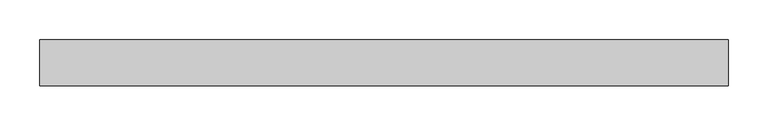
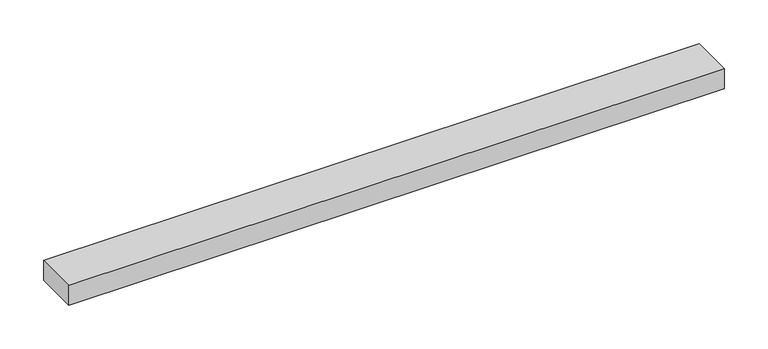
"""IFC4 building model written with IfcOpenShell, lengths in millimetres: proxy geometry."""

from ifc_helpers import new_model, si_unit, frame, origin, place, context, project, spatial, polyline, outline, extrude, source, transform, mapped, element, save


def specialty_equipment_07bfad83(model_context):
    return source(origin(), model_context, "Body", "SweptSolid", [
        extrude(outline(polyline([(-434.7938736, 29.2199219), (434.7938736, 29.2199219), (434.7938736, -29.2199219), (-434.7938736, -29.2199219), (-434.7938736, 29.2199219)])), frame((0.0, 0.0, -13.9898438), z_axis=(0.0, 0.0, 1.0), x_axis=(1.0, 0.0, 0.0)), (0.0, 0.0, 1.0), 27.9796875),
    ])


if __name__ == "__main__":
    model = new_model("IFC4")
    model_context = context("Model", 3, world=origin())
    ifc_project = project(units=[si_unit("LENGTHUNIT", "METRE", prefix="MILLI")], contexts=[model_context])
    site = spatial("IfcSite", under=ifc_project)
    building = spatial("IfcBuilding", under=site)
    placement = place(None, origin())
    specialty_equipment_shape = specialty_equipment_07bfad83(model_context)
    element("IfcBuildingElementProxy", 1, Name="Specialty Equipment", at=placement, inside=building, context=model_context, shape_type="MappedRepresentation", body=[
        mapped(specialty_equipment_shape, transform((0.0, 0.0, 0.0), x_axis=(1.0, 0.0, 0.0), y_axis=(0.0, 1.0, 0.0), z_axis=(0.0, 0.0, 1.0))),
    ])
    save(model, "model.ifc")
